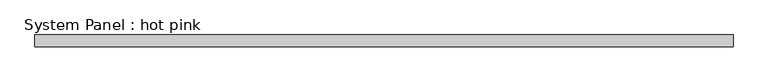
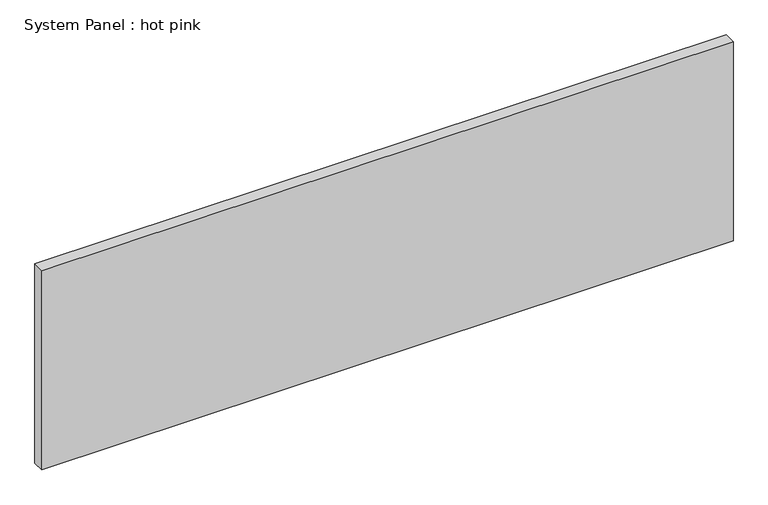
"""IFC4 building model written with IfcOpenShell, lengths in millimetres: plate geometry, System Panel : hot pink."""

from ifc_helpers import new_model, si_unit, origin, origin_with_axes, place, context, project, spatial, polyline, outline, extrude, source, transform, mapped, element, save


def system_panel_hot_pink_34830f27(model_context):
    return source(origin(), model_context, "Body", "SweptSolid", [
        extrude(outline(polyline([(1845.0038172, -19.05), (-1845.0038172, -19.05), (-1845.0038172, 44.45), (1845.0038172, 44.45), (1845.0038172, -19.05)])), origin_with_axes(), (0.0, 0.0, 1.0), 1123.95),
    ])


if __name__ == "__main__":
    model = new_model("IFC4")
    model_context = context("Model", 3, world=origin())
    ifc_project = project(units=[si_unit("LENGTHUNIT", "METRE", prefix="MILLI")], contexts=[model_context])
    site = spatial("IfcSite", under=ifc_project)
    building = spatial("IfcBuilding", under=site)
    placement = place(None, origin())
    system_panel_hot_pink_shape = system_panel_hot_pink_34830f27(model_context)
    element("IfcPlate", 1, ObjectType="System Panel : hot pink", at=placement, inside=building, context=model_context, shape_type="MappedRepresentation", body=[
        mapped(system_panel_hot_pink_shape, transform((0.0, 0.0, 0.0), x_axis=(1.0, 0.0, 0.0), y_axis=(0.0, 1.0, 0.0), z_axis=(0.0, 0.0, 1.0))),
    ])
    save(model, "model.ifc")
